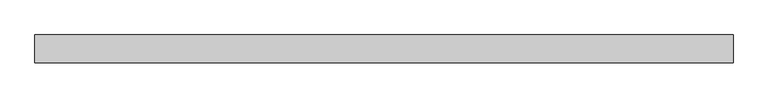
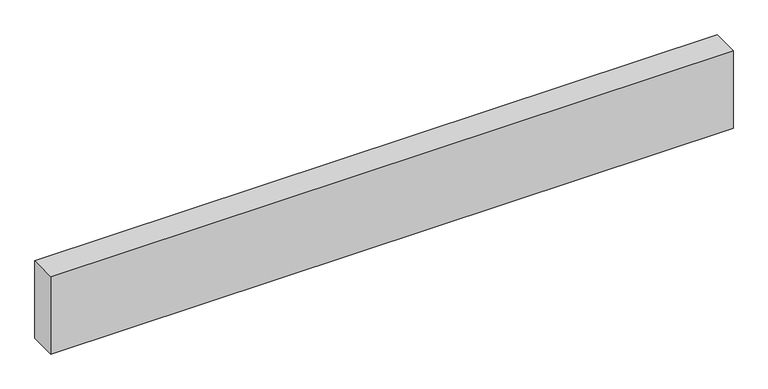
"""IFC4 building model written with IfcOpenShell, lengths in millimetres: proxy geometry."""

from ifc_helpers import new_model, si_unit, origin, origin_with_axes, place, context, project, spatial, polyline, outline, extrude, source, transform, mapped, element, save


def generic_models_1dfb941c(model_context):
    return source(origin(), model_context, "Body", "SweptSolid", [
        extrude(outline(polyline([(2500.0, 0.0), (2500.0, -100.0), (0.0, -100.0), (0.0, 0.0), (2500.0, 0.0)])), origin_with_axes(), (0.0, 0.0, 1.0), 300.0),
    ])


if __name__ == "__main__":
    model = new_model("IFC4")
    model_context = context("Model", 3, world=origin())
    ifc_project = project(units=[si_unit("LENGTHUNIT", "METRE", prefix="MILLI")], contexts=[model_context])
    site = spatial("IfcSite", under=ifc_project)
    building = spatial("IfcBuilding", under=site)
    placement = place(None, origin())
    generic_models_shape = generic_models_1dfb941c(model_context)
    element("IfcBuildingElementProxy", 1, Name="Generic Models", at=placement, inside=building, context=model_context, shape_type="MappedRepresentation", body=[
        mapped(generic_models_shape, transform((0.0, 0.0, 0.0), x_axis=(1.0, 0.0, 0.0), y_axis=(0.0, 1.0, 0.0), z_axis=(0.0, 0.0, 1.0))),
    ])
    save(model, "model.ifc")
